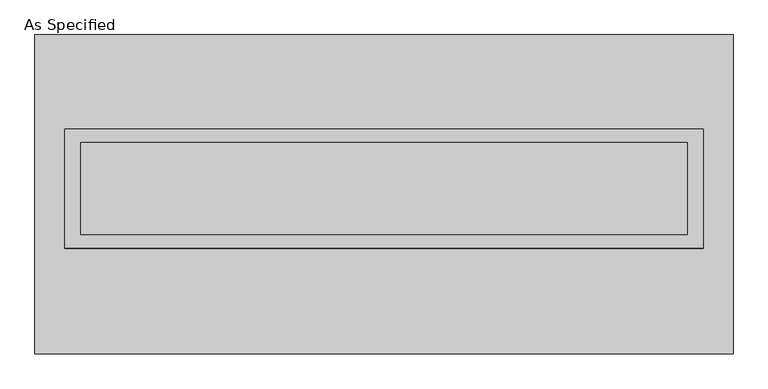
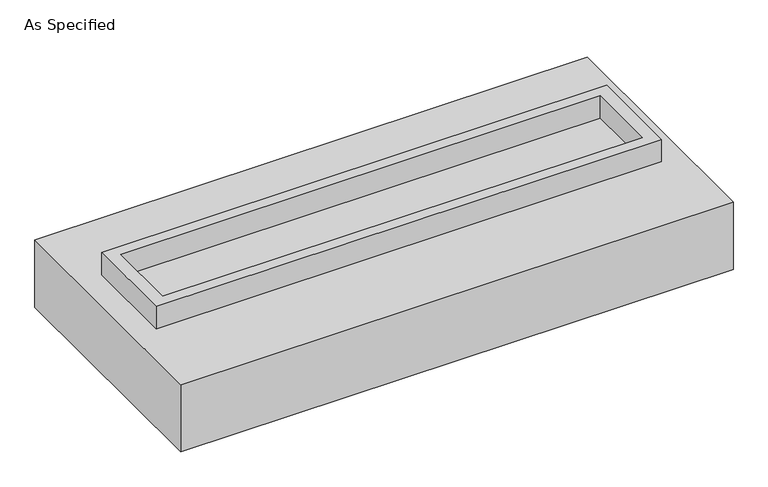
"""IFC4 building model written with IfcOpenShell, lengths in millimetres: proxy geometry, As Specified."""

from ifc_helpers import new_model, si_unit, frame, origin, place, context, project, spatial, polyline, outline, extrude, faceted_brep, source, transform, mapped, element, save


def as_specified_0b2f5ffd(model_context):
    return source(origin(), model_context, "Body", "SolidModel", [
        extrude(outline(polyline([(1765.3, 361.95), (1765.3, -298.45), (-1765.3, -298.45), (-1765.3, 361.95), (1765.3, 361.95)]), holes=[polyline([(1676.4, 285.75), (-1676.4, 285.75), (-1676.4, -222.25), (1676.4, -222.25), (1676.4, 285.75)])]), frame((0.0, 0.0, -25.4), z_axis=(0.0, 0.0, 1.0), x_axis=(1.0, 0.0, 0.0)), (0.0, 0.0, 1.0), 165.1),
        extrude(outline(polyline([(1676.4, 285.75), (1676.4, -222.25), (-1676.4, -222.25), (-1676.4, 285.75), (1676.4, 285.75)])), frame((0.0, 0.0, -30.3609375), z_axis=(0.0, 0.0, 1.0), x_axis=(1.0, 0.0, 0.0)), (0.0, 0.0, 1.0), 4.9609375),
        faceted_brep([(1930.4, -882.65, -523.875), (-1930.4, -882.65, -523.875), (-1930.4, 882.65, -523.875), (1930.4, 882.65, -523.875), (1930.4, 882.65, -25.4), (-1930.4, 882.65, -25.4), (-1930.4, -882.65, -25.4), (1930.4, -882.65, -25.4), (1765.3, 361.95, -25.4), (1765.3, -298.45, -25.4), (-1765.3, -298.45, -25.4), (-1765.3, 361.95, -25.4), (1765.3, 361.95, -498.475), (-1765.3, 361.95, -498.475), (-1765.3, -298.45, -498.475), (1765.3, -298.45, -498.475)], [[[0, 1, 2, 3]], [[4, 5, 6, 7], [8, 9, 10, 11]], [[3, 2, 5, 4]], [[2, 1, 6, 5]], [[0, 3, 4, 7]], [[12, 13, 14, 15]], [[14, 13, 11, 10]], [[13, 12, 8, 11]], [[12, 15, 9, 8]], [[10, 9, 15, 14]], [[1, 0, 7, 6]]]),
    ])


if __name__ == "__main__":
    model = new_model("IFC4")
    model_context = context("Model", 3, world=origin())
    ifc_project = project(units=[si_unit("LENGTHUNIT", "METRE", prefix="MILLI")], contexts=[model_context])
    site = spatial("IfcSite", under=ifc_project)
    building = spatial("IfcBuilding", under=site)
    placement = place(None, origin())
    as_specified_shape = as_specified_0b2f5ffd(model_context)
    element("IfcBuildingElementProxy", 1, Name="As Specified", ObjectType="As Specified", at=placement, inside=building, context=model_context, shape_type="MappedRepresentation", body=[
        mapped(as_specified_shape, transform((0.0, 0.0, 0.0), x_axis=(1.0, 0.0, 0.0), y_axis=(0.0, 1.0, 0.0), z_axis=(0.0, 0.0, 1.0))),
    ])
    save(model, "model.ifc")
